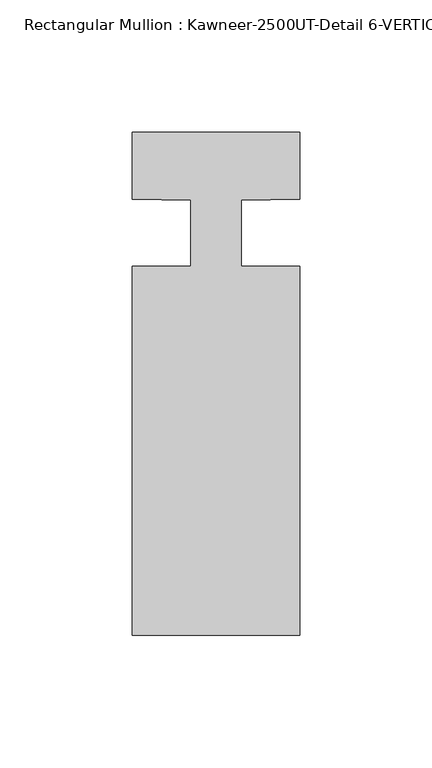
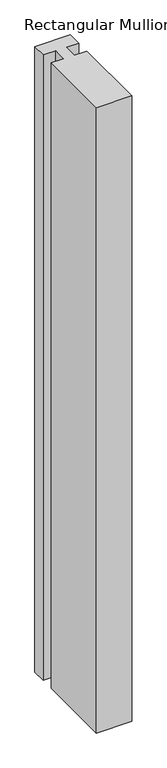
"""IFC4 building model written with IfcOpenShell, lengths in millimetres: member geometry, Rectangular Mullion : Kawneer-2500UT-Detail 6-VERTICAL MULLION-1 INCH INFILL."""

from ifc_helpers import new_model, si_unit, point, frame, frame_2d, origin, place, context, project, spatial, polyline, circle_curve, trimmed, segment, composite_curve, outline, extrude, source, transform, mapped, element, save


def rectangular_mullion_kawneer_2500ut_detail_6_vertical_mullion_af9905bd(model_context):
    return source(origin(), model_context, "Body", "SweptSolid", [
        extrude(outline(composite_curve([segment(polyline([(-31.75, -165.099995), (-31.75, -25.4), (-9.5251132, -25.4), (-9.5251132, -0.3176283)]), True, "CONTINUOUS"), segment(trimmed(circle_curve(frame_2d((-27.4492482, -461.0078197)), 461.0387479), [point((-9.5251132, -0.3176283))], [point((-31.75, 0.0108682))], True, "CARTESIAN"), True, "CONTINUOUS"), segment(polyline([(-31.75, 0.0108682), (-31.75, 25.4), (31.75, 25.4), (31.75, 0.0108682)]), True, "CONTINUOUS"), segment(trimmed(circle_curve(frame_2d((27.4492482, -461.0078197)), 461.0387479), [point((31.75, 0.0108682))], [point((9.5251132, -0.3176283))], True, "CARTESIAN"), True, "CONTINUOUS"), segment(polyline([(9.5251132, -0.3176283), (9.5251132, -25.4), (31.75, -25.4), (31.75, -165.099995), (-31.75, -165.099995)]), True, "CONTINUOUS")], self_intersect=False)), frame((0.0, 0.0, -1182.6875), z_axis=(0.0, 0.0, 1.0), x_axis=(1.0, 0.0, 0.0)), (0.0, 0.0, 1.0), 1182.6875),
    ])


if __name__ == "__main__":
    model = new_model("IFC4")
    model_context = context("Model", 3, world=origin())
    ifc_project = project(units=[si_unit("LENGTHUNIT", "METRE", prefix="MILLI")], contexts=[model_context])
    site = spatial("IfcSite", under=ifc_project)
    building = spatial("IfcBuilding", under=site)
    placement = place(None, origin())
    rectangular_mullion_kawneer_2500ut_detail_6_vertical_mullion_shape = rectangular_mullion_kawneer_2500ut_detail_6_vertical_mullion_af9905bd(model_context)
    element("IfcMember", 1, ObjectType="Rectangular Mullion : Kawneer-2500UT-Detail 6-VERTICAL MULLION-1 INCH INFILL", at=placement, inside=building, context=model_context, shape_type="MappedRepresentation", body=[
        mapped(rectangular_mullion_kawneer_2500ut_detail_6_vertical_mullion_shape, transform((0.0, 0.0, 0.0), x_axis=(1.0, 0.0, 0.0), y_axis=(0.0, 1.0, 0.0), z_axis=(0.0, 0.0, 1.0))),
    ])
    save(model, "model.ifc")
